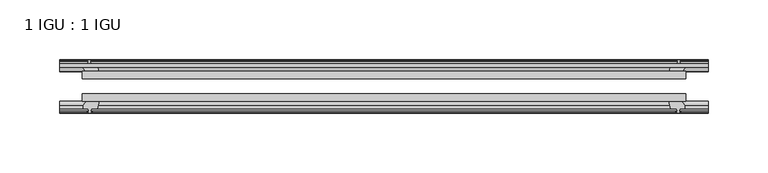
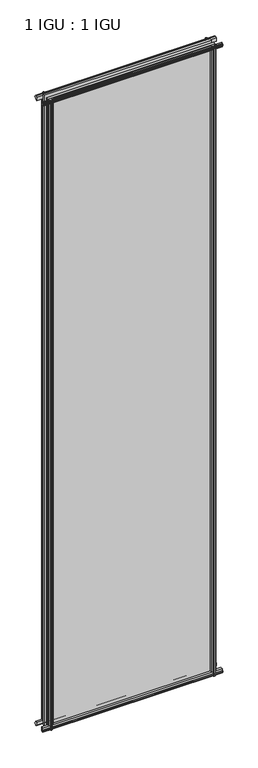
"""IFC4 building model written with IfcOpenShell, lengths in millimetres: plate geometry, 1 IGU : 1 IGU."""

from ifc_helpers import new_model, si_unit, frame, origin, place, context, project, spatial, polyline, outline, extrude, source, transform, mapped, element, save


def plate_1_igu_1_igu_5245de46(model_context):
    return source(origin(), model_context, "Body", "SweptSolid", [
        extrude(outline(polyline([(-253.519105, -38.6468937), (253.519105, -38.6468937), (253.519105, -44.9460938), (-253.519105, -44.9460938), (-253.519105, -38.6468937)])), frame((0.0, 0.0, -12.7), z_axis=(0.0, 0.0, 1.0), x_axis=(1.0, 0.0, 0.0)), (0.0, 0.0, 1.0), 2019.2872996),
        extrude(outline(polyline([(-253.519105, -19.5460937), (253.519105, -19.5460937), (253.519105, -25.8960938), (-253.519105, -25.8960938), (-253.519105, -19.5460937)])), frame((0.0, 0.0, -12.7), z_axis=(0.0, 0.0, 1.0), x_axis=(1.0, 0.0, 0.0)), (0.0, 0.0, 1.0), 2019.2872996),
        extrude(outline(polyline([(-44.9460937, 1.7177181), (-44.9460937, -9.1036578), (-48.3496937, -11.938), (-51.2960937, -11.938), (-51.2960937, -7.493), (-53.6762907, -7.112), (-53.2163575, -8.5275291), (-54.0175717, -8.5275291), (-54.7250937, -6.35), (-54.0175717, -4.1724709), (-53.2163575, -4.1724709), (-53.6762907, -5.588), (-51.2960937, -5.207), (-51.2960937, 0.0), (-44.9460937, 1.7177181)])), frame((-272.569105, 0.0, 0.0), z_axis=(1.0, 0.0, 0.0), x_axis=(0.0, 1.0, 0.0)), (0.0, 0.0, 1.0), 545.13821),
        extrude(outline(polyline([(-13.1960937, -12.4587), (-16.1424937, -12.4587), (-19.5460937, -9.6243578), (-19.5460937, 1.1970181), (-13.1960937, -0.5207), (-13.1960937, -5.7277), (-10.8158968, -6.1087), (-11.27583, -4.6931709), (-10.4746158, -4.6931709), (-9.7670937, -6.8707), (-10.4746158, -9.0482291), (-11.27583, -9.0482291), (-10.8158968, -7.6327), (-13.1960937, -8.0137), (-13.1960937, -12.4587)])), frame((-272.569105, 0.0, 0.0), z_axis=(1.0, 0.0, 0.0), x_axis=(0.0, 1.0, 0.0)), (0.0, 0.0, 1.0), 545.13821),
        extrude(outline(polyline([(-51.2960937, 2005.8252996), (-48.3496937, 2005.8252996), (-44.9460937, 2002.9909574), (-44.9460937, 1992.1695815), (-51.2960937, 1993.8872996), (-51.2960937, 1999.0942996), (-53.6762907, 1999.4752996), (-53.2163575, 1998.0597705), (-54.0175717, 1998.0597705), (-54.7250937, 2000.2372996), (-54.0175717, 2002.4148286), (-53.2163575, 2002.4148286), (-53.6762907, 2000.9992996), (-51.2960937, 2001.3802996), (-51.2960937, 2005.8252996)])), frame((-272.569105, 0.0, 0.0), z_axis=(1.0, 0.0, 0.0), x_axis=(0.0, 1.0, 0.0)), (0.0, 0.0, 1.0), 545.13821),
        extrude(outline(polyline([(-19.5460937, 1992.6902815), (-19.5460937, 2003.5116574), (-16.1424937, 2006.3459996), (-13.1960937, 2006.3459996), (-13.1960937, 2001.9009996), (-10.8158968, 2001.5199996), (-11.27583, 2002.9355286), (-10.4746158, 2002.9355286), (-9.7670937, 2000.7579996), (-10.4746158, 1998.5804705), (-11.27583, 1998.5804705), (-10.8158968, 1999.9959996), (-13.1960937, 1999.6149996), (-13.1960937, 1994.4079996), (-19.5460937, 1992.6902815)])), frame((-272.569105, 0.0, 0.0), z_axis=(1.0, 0.0, 0.0), x_axis=(0.0, 1.0, 0.0)), (0.0, 0.0, 1.0), 545.13821),
        extrude(outline(polyline([(239.6220869, -19.5460938), (241.339805, -13.1960938), (246.546805, -13.1960938), (246.927805, -10.8158968), (245.5122759, -11.27583), (245.5122759, -10.4746158), (247.689805, -9.7670938), (249.867334, -10.4746158), (249.867334, -11.27583), (248.451805, -10.8158968), (248.832805, -13.1960938), (253.277805, -13.1960938), (253.277805, -16.1424938), (250.4434628, -19.5460938), (239.6220869, -19.5460938)])), frame((0.0, 0.0, -12.7), z_axis=(0.0, 0.0, 1.0), x_axis=(1.0, 0.0, 0.0)), (0.0, 0.0, 1.0), 2019.2872997),
        extrude(outline(polyline([(239.1013869, -44.9460938), (249.9227628, -44.9460938), (252.757105, -48.3496938), (252.757105, -51.2960938), (248.312105, -51.2960938), (247.931105, -53.6762907), (249.346634, -53.2163575), (249.346634, -54.0175717), (247.169105, -54.7250938), (244.9915759, -54.0175717), (244.9915759, -53.2163575), (246.407105, -53.6762907), (246.026105, -51.2960938), (240.819105, -51.2960938), (239.1013869, -44.9460938)])), frame((0.0, 0.0, -12.7), z_axis=(0.0, 0.0, 1.0), x_axis=(1.0, 0.0, 0.0)), (0.0, 0.0, 1.0), 2019.2872997),
        extrude(outline(polyline([(-247.689805, -9.7670937), (-245.5122759, -10.4746158), (-245.5122759, -11.27583), (-246.927805, -10.8158968), (-246.546805, -13.1960937), (-241.339805, -13.1960937), (-239.6220869, -19.5460937), (-250.4434628, -19.5460937), (-253.277805, -16.1424937), (-253.277805, -13.1960937), (-248.832805, -13.1960937), (-248.451805, -10.8158968), (-249.867334, -11.27583), (-249.867334, -10.4746158), (-247.689805, -9.7670937)])), frame((0.0, 0.0, -12.7), z_axis=(0.0, 0.0, 1.0), x_axis=(1.0, 0.0, 0.0)), (0.0, 0.0, 1.0), 2019.2872997),
        extrude(outline(polyline([(-252.757105, -48.3496937), (-249.9227628, -44.9460937), (-239.1013869, -44.9460937), (-240.819105, -51.2960937), (-246.026105, -51.2960937), (-246.407105, -53.6762907), (-244.9915759, -53.2163575), (-244.9915759, -54.0175717), (-247.169105, -54.7250937), (-249.346634, -54.0175717), (-249.346634, -53.2163575), (-247.931105, -53.6762907), (-248.312105, -51.2960937), (-252.757105, -51.2960937), (-252.757105, -48.3496937)])), frame((0.0, 0.0, -12.7), z_axis=(0.0, 0.0, 1.0), x_axis=(1.0, 0.0, 0.0)), (0.0, 0.0, 1.0), 2019.2872997),
    ])


if __name__ == "__main__":
    model = new_model("IFC4")
    model_context = context("Model", 3, world=origin())
    ifc_project = project(units=[si_unit("LENGTHUNIT", "METRE", prefix="MILLI")], contexts=[model_context])
    site = spatial("IfcSite", under=ifc_project)
    building = spatial("IfcBuilding", under=site)
    placement = place(None, origin())
    plate_1_igu_1_igu_shape = plate_1_igu_1_igu_5245de46(model_context)
    element("IfcPlate", 1, ObjectType="1 IGU : 1 IGU", at=placement, inside=building, context=model_context, shape_type="MappedRepresentation", body=[
        mapped(plate_1_igu_1_igu_shape, transform((0.0, 0.0, 0.0), x_axis=(1.0, 0.0, 0.0), y_axis=(0.0, 1.0, 0.0), z_axis=(0.0, 0.0, 1.0))),
    ])
    save(model, "model.ifc")
